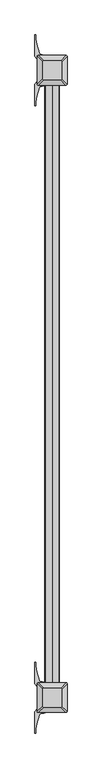
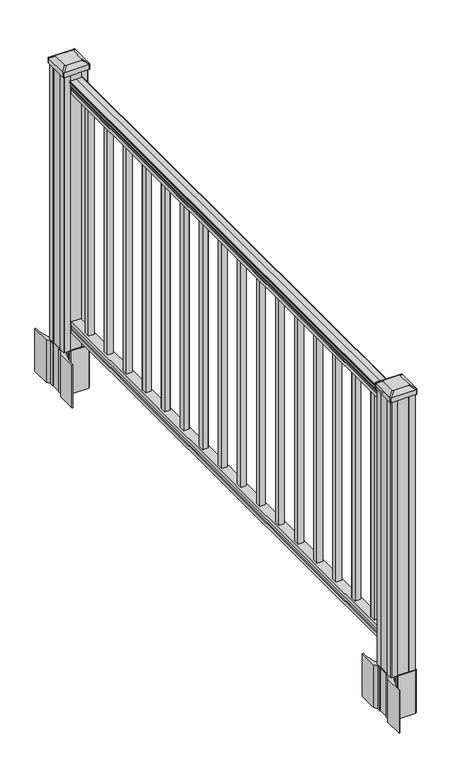
"""IFC4 building model written with IfcOpenShell, lengths in millimetres: railing geometry."""

from ifc_helpers import new_model, si_unit, point, frame, frame_2d, origin, origin_with_axes, place, context, project, spatial, polyline, circle_curve, trimmed, segment, composite_curve, outline, extrude, source, transform, mapped, element, save
from ifc_brep_helpers import plane_surface, extruded_surface, advanced_brep


def railing_f47d3d87(model_context):
    return source(origin(), model_context, "Body", "SolidModel", [
        extrude(outline(composite_curve([segment(polyline([(938.4043297, -192.7883059), (940.292412, -192.7883059)]), True, "CONTINUOUS"), segment(trimmed(circle_curve(frame_2d((946.0506383, -199.1030592)), 8.545951), [point((940.292412, -192.7883059))], [point((941.8546695, -191.6581196))], False, "CARTESIAN"), True, "CONTINUOUS"), segment(trimmed(circle_curve(frame_2d((945.4636577, -198.6659962)), 7.882584), [point((941.8546695, -191.6581196))], [point((949.0726458, -191.6581196))], False, "CARTESIAN"), True, "CONTINUOUS"), segment(trimmed(circle_curve(frame_2d((951.3112527, -188.1526721)), 4.1592695), [point((949.0726458, -191.6581196))], [point((951.5060812, -192.307376))], True, "CARTESIAN"), True, "CONTINUOUS"), segment(trimmed(circle_curve(frame_2d((951.2508864, -186.8653655)), 5.4479907), [point((951.5060812, -192.307376))], [point((955.8362083, -189.807376))], True, "CARTESIAN"), True, "CONTINUOUS"), segment(trimmed(circle_curve(frame_2d((955.833395, -188.098524)), 1.7088543), [point((955.8362083, -189.807376))], [point((957.5157972, -188.3980336))], True, "CARTESIAN"), True, "CONTINUOUS"), segment(trimmed(circle_curve(frame_2d((958.6205318, -189.7154241)), 1.7192895), [point((957.5157972, -188.3980336))], [point((958.6205318, -187.9961346))], False, "CARTESIAN"), True, "CONTINUOUS"), segment(polyline([(958.6205318, -187.9961346), (959.9608158, -187.9961346)]), True, "CONTINUOUS"), segment(trimmed(circle_curve(frame_2d((959.9608158, -189.5495819)), 1.5534472), [point((959.9608158, -187.9961346))], [point((961.514263, -189.5495819))], False, "CARTESIAN"), True, "CONTINUOUS"), segment(polyline([(961.514263, -189.5495819), (961.514263, -210.2211346), (961.514263, -230.8926874)]), True, "CONTINUOUS"), segment(trimmed(circle_curve(frame_2d((959.9608158, -230.8926874)), 1.5534472), [point((961.514263, -230.8926874))], [point((959.9608158, -232.4461346))], False, "CARTESIAN"), True, "CONTINUOUS"), segment(polyline([(959.9608158, -232.4461346), (958.6205318, -232.4461346)]), True, "CONTINUOUS"), segment(trimmed(circle_curve(frame_2d((958.6205318, -230.7268452)), 1.7192895), [point((958.6205318, -232.4461346))], [point((957.5157972, -232.0442357))], False, "CARTESIAN"), True, "CONTINUOUS"), segment(trimmed(circle_curve(frame_2d((955.833395, -232.3437453)), 1.7088543), [point((957.5157972, -232.0442357))], [point((955.8362083, -230.6348933))], True, "CARTESIAN"), True, "CONTINUOUS"), segment(trimmed(circle_curve(frame_2d((951.2508864, -233.5769037)), 5.4479907), [point((955.8362083, -230.6348933))], [point((951.5060812, -228.1348933))], True, "CARTESIAN"), True, "CONTINUOUS"), segment(trimmed(circle_curve(frame_2d((951.3112527, -232.2895972)), 4.1592695), [point((951.5060812, -228.1348933))], [point((949.0726458, -228.7841497))], True, "CARTESIAN"), True, "CONTINUOUS"), segment(trimmed(circle_curve(frame_2d((945.4636577, -221.7762731)), 7.882584), [point((949.0726458, -228.7841497))], [point((941.8546695, -228.7841497))], False, "CARTESIAN"), True, "CONTINUOUS"), segment(trimmed(circle_curve(frame_2d((946.0506383, -221.3392101)), 8.545951), [point((941.8546695, -228.7841497))], [point((940.292412, -227.6539634))], False, "CARTESIAN"), True, "CONTINUOUS"), segment(polyline([(940.292412, -227.6539634), (938.4043297, -227.6539634)]), True, "CONTINUOUS"), segment(trimmed(circle_curve(frame_2d((938.4043297, -226.367049)), 1.2869144), [point((938.4043297, -227.6539634))], [point((938.4043297, -225.0801346))], False, "CARTESIAN"), True, "CONTINUOUS"), segment(polyline([(938.4043297, -225.0801346), (927.9048283, -225.0801346), (926.8888283, -226.0961346), (914.4, -226.0961346), (914.4, -194.3461346), (926.731013, -194.3461346), (927.747013, -195.3621346), (938.4043297, -195.3621346)]), True, "CONTINUOUS"), segment(trimmed(circle_curve(frame_2d((938.4043297, -194.0752203)), 1.2869144), [point((938.4043297, -195.3621346))], [point((938.4043297, -192.7883059))], False, "CARTESIAN"), True, "CONTINUOUS")], self_intersect=False)), frame((0.0, -6466.8427062, 0.0), z_axis=(0.0, 1.0, 0.0), x_axis=(0.0, 0.0, 1.0)), (0.0, 0.0, 1.0), 1828.8),
        extrude(outline(polyline([(76.0541976, -194.3086477), (77.3546183, -195.3246477), (87.7141717, -195.3246477), (89.0624492, -194.3086477), (101.5958781, -194.3086477), (101.5958781, -226.0586477), (89.0458024, -226.0586477), (87.6975248, -225.0426477), (77.3858283, -225.0426477), (76.0375508, -226.0586477), (63.5, -226.0586477), (63.5, -194.3086477), (76.0541976, -194.3086477)])), frame((0.0, -6466.8427062, 0.0), z_axis=(0.0, 1.0, 0.0), x_axis=(0.0, 0.0, 1.0)), (0.0, 0.0, 1.0), 1828.8),
        extrude(outline(polyline([(-200.6961346, -4726.5617062), (-219.7461346, -4726.5617062), (-219.7461346, -4707.5117062), (-200.6961346, -4707.5117062), (-200.6961346, -4726.5617062)]), holes=[polyline([(-201.0930096, -4726.1648312), (-201.0930096, -4707.9085812), (-219.3492596, -4707.9085812), (-219.3492596, -4726.1648312), (-201.0930096, -4726.1648312)])]), frame((0.0, 0.0, 101.5958781), z_axis=(0.0, 0.0, 1.0), x_axis=(1.0, 0.0, 0.0)), (0.0, 0.0, 1.0), 812.8041219),
        extrude(outline(polyline([(-200.6961346, -4837.8137062), (-219.7461346, -4837.8137062), (-219.7461346, -4818.7637062), (-200.6961346, -4818.7637062), (-200.6961346, -4837.8137062)]), holes=[polyline([(-201.0930096, -4837.4168312), (-201.0930096, -4819.1605812), (-219.3492596, -4819.1605812), (-219.3492596, -4837.4168312), (-201.0930096, -4837.4168312)])]), frame((0.0, 0.0, 101.5958781), z_axis=(0.0, 0.0, 1.0), x_axis=(1.0, 0.0, 0.0)), (0.0, 0.0, 1.0), 812.8041219),
        extrude(outline(polyline([(-200.6961346, -4949.0657062), (-219.7461346, -4949.0657062), (-219.7461346, -4930.0157062), (-200.6961346, -4930.0157062), (-200.6961346, -4949.0657062)]), holes=[polyline([(-201.0930096, -4948.6688312), (-201.0930096, -4930.4125812), (-219.3492596, -4930.4125812), (-219.3492596, -4948.6688312), (-201.0930096, -4948.6688312)])]), frame((0.0, 0.0, 101.5958781), z_axis=(0.0, 0.0, 1.0), x_axis=(1.0, 0.0, 0.0)), (0.0, 0.0, 1.0), 812.8041219),
        extrude(outline(polyline([(-200.6961346, -5060.3177062), (-219.7461346, -5060.3177062), (-219.7461346, -5041.2677062), (-200.6961346, -5041.2677062), (-200.6961346, -5060.3177062)]), holes=[polyline([(-201.0930096, -5059.9208312), (-201.0930096, -5041.6645812), (-219.3492596, -5041.6645812), (-219.3492596, -5059.9208312), (-201.0930096, -5059.9208312)])]), frame((0.0, 0.0, 101.5958781), z_axis=(0.0, 0.0, 1.0), x_axis=(1.0, 0.0, 0.0)), (0.0, 0.0, 1.0), 812.8041219),
        extrude(outline(polyline([(-200.6961346, -5171.5697062), (-219.7461346, -5171.5697062), (-219.7461346, -5152.5197062), (-200.6961346, -5152.5197062), (-200.6961346, -5171.5697062)]), holes=[polyline([(-201.0930096, -5171.1728312), (-201.0930096, -5152.9165812), (-219.3492596, -5152.9165812), (-219.3492596, -5171.1728312), (-201.0930096, -5171.1728312)])]), frame((0.0, 0.0, 101.5958781), z_axis=(0.0, 0.0, 1.0), x_axis=(1.0, 0.0, 0.0)), (0.0, 0.0, 1.0), 812.8041219),
        extrude(outline(polyline([(-200.6961346, -5282.8217062), (-219.7461346, -5282.8217062), (-219.7461346, -5263.7717062), (-200.6961346, -5263.7717062), (-200.6961346, -5282.8217062)]), holes=[polyline([(-201.0930096, -5282.4248312), (-201.0930096, -5264.1685812), (-219.3492596, -5264.1685812), (-219.3492596, -5282.4248312), (-201.0930096, -5282.4248312)])]), frame((0.0, 0.0, 101.5958781), z_axis=(0.0, 0.0, 1.0), x_axis=(1.0, 0.0, 0.0)), (0.0, 0.0, 1.0), 812.8041219),
        extrude(outline(polyline([(-200.6961346, -5394.0737062), (-219.7461346, -5394.0737062), (-219.7461346, -5375.0237062), (-200.6961346, -5375.0237062), (-200.6961346, -5394.0737062)]), holes=[polyline([(-201.0930096, -5393.6768312), (-201.0930096, -5375.4205812), (-219.3492596, -5375.4205812), (-219.3492596, -5393.6768312), (-201.0930096, -5393.6768312)])]), frame((0.0, 0.0, 101.5958781), z_axis=(0.0, 0.0, 1.0), x_axis=(1.0, 0.0, 0.0)), (0.0, 0.0, 1.0), 812.8041219),
        extrude(outline(polyline([(-200.6961346, -5505.3257062), (-219.7461346, -5505.3257062), (-219.7461346, -5486.2757062), (-200.6961346, -5486.2757062), (-200.6961346, -5505.3257062)]), holes=[polyline([(-201.0930096, -5504.9288312), (-201.0930096, -5486.6725812), (-219.3492596, -5486.6725812), (-219.3492596, -5504.9288312), (-201.0930096, -5504.9288312)])]), frame((0.0, 0.0, 101.5958781), z_axis=(0.0, 0.0, 1.0), x_axis=(1.0, 0.0, 0.0)), (0.0, 0.0, 1.0), 812.8041219),
        extrude(outline(polyline([(-200.6961346, -5616.5777062), (-219.7461346, -5616.5777062), (-219.7461346, -5597.5277062), (-200.6961346, -5597.5277062), (-200.6961346, -5616.5777062)]), holes=[polyline([(-201.0930096, -5616.1808312), (-201.0930096, -5597.9245812), (-219.3492596, -5597.9245812), (-219.3492596, -5616.1808312), (-201.0930096, -5616.1808312)])]), frame((0.0, 0.0, 101.5958781), z_axis=(0.0, 0.0, 1.0), x_axis=(1.0, 0.0, 0.0)), (0.0, 0.0, 1.0), 812.8041219),
        extrude(outline(polyline([(-200.6961346, -5727.8297062), (-219.7461346, -5727.8297062), (-219.7461346, -5708.7797062), (-200.6961346, -5708.7797062), (-200.6961346, -5727.8297062)]), holes=[polyline([(-201.0930096, -5727.4328312), (-201.0930096, -5709.1765812), (-219.3492596, -5709.1765812), (-219.3492596, -5727.4328312), (-201.0930096, -5727.4328312)])]), frame((0.0, 0.0, 101.5958781), z_axis=(0.0, 0.0, 1.0), x_axis=(1.0, 0.0, 0.0)), (0.0, 0.0, 1.0), 812.8041219),
        extrude(outline(polyline([(-200.6961346, -5839.0817062), (-219.7461346, -5839.0817062), (-219.7461346, -5820.0317062), (-200.6961346, -5820.0317062), (-200.6961346, -5839.0817062)]), holes=[polyline([(-201.0930096, -5838.6848312), (-201.0930096, -5820.4285812), (-219.3492596, -5820.4285812), (-219.3492596, -5838.6848312), (-201.0930096, -5838.6848312)])]), frame((0.0, 0.0, 101.5958781), z_axis=(0.0, 0.0, 1.0), x_axis=(1.0, 0.0, 0.0)), (0.0, 0.0, 1.0), 812.8041219),
        extrude(outline(polyline([(-200.6961346, -5950.3337062), (-219.7461346, -5950.3337062), (-219.7461346, -5931.2837062), (-200.6961346, -5931.2837062), (-200.6961346, -5950.3337062)]), holes=[polyline([(-201.0930096, -5949.9368312), (-201.0930096, -5931.6805812), (-219.3492596, -5931.6805812), (-219.3492596, -5949.9368312), (-201.0930096, -5949.9368312)])]), frame((0.0, 0.0, 101.5958781), z_axis=(0.0, 0.0, 1.0), x_axis=(1.0, 0.0, 0.0)), (0.0, 0.0, 1.0), 812.8041219),
        extrude(outline(polyline([(-200.6961346, -6061.5857062), (-219.7461346, -6061.5857062), (-219.7461346, -6042.5357062), (-200.6961346, -6042.5357062), (-200.6961346, -6061.5857062)]), holes=[polyline([(-201.0930096, -6061.1888312), (-201.0930096, -6042.9325812), (-219.3492596, -6042.9325812), (-219.3492596, -6061.1888312), (-201.0930096, -6061.1888312)])]), frame((0.0, 0.0, 101.5958781), z_axis=(0.0, 0.0, 1.0), x_axis=(1.0, 0.0, 0.0)), (0.0, 0.0, 1.0), 812.8041219),
        extrude(outline(polyline([(-200.6961346, -6172.8377062), (-219.7461346, -6172.8377062), (-219.7461346, -6153.7877062), (-200.6961346, -6153.7877062), (-200.6961346, -6172.8377062)]), holes=[polyline([(-201.0930096, -6172.4408312), (-201.0930096, -6154.1845812), (-219.3492596, -6154.1845812), (-219.3492596, -6172.4408312), (-201.0930096, -6172.4408312)])]), frame((0.0, 0.0, 101.5958781), z_axis=(0.0, 0.0, 1.0), x_axis=(1.0, 0.0, 0.0)), (0.0, 0.0, 1.0), 812.8041219),
        extrude(outline(polyline([(-200.6961346, -6284.0897062), (-219.7461346, -6284.0897062), (-219.7461346, -6265.0397062), (-200.6961346, -6265.0397062), (-200.6961346, -6284.0897062)]), holes=[polyline([(-201.0930096, -6283.6928312), (-201.0930096, -6265.4365812), (-219.3492596, -6265.4365812), (-219.3492596, -6283.6928312), (-201.0930096, -6283.6928312)])]), frame((0.0, 0.0, 101.5958781), z_axis=(0.0, 0.0, 1.0), x_axis=(1.0, 0.0, 0.0)), (0.0, 0.0, 1.0), 812.8041219),
        extrude(outline(polyline([(-200.6961346, -6395.3417062), (-219.7461346, -6395.3417062), (-219.7461346, -6376.2917062), (-200.6961346, -6376.2917062), (-200.6961346, -6395.3417062)]), holes=[polyline([(-201.0930096, -6394.9448312), (-201.0930096, -6376.6885812), (-219.3492596, -6376.6885812), (-219.3492596, -6394.9448312), (-201.0930096, -6394.9448312)])]), frame((0.0, 0.0, 101.5958781), z_axis=(0.0, 0.0, 1.0), x_axis=(1.0, 0.0, 0.0)), (0.0, 0.0, 1.0), 812.8041219),
        extrude(outline(composite_curve([segment(polyline([(-167.4856346, -4614.026801), (-165.8981346, -4614.788801), (-165.8981346, -4637.5907291), (-169.2711117, -4640.9637062), (-230.7307825, -4640.9637062), (-230.7307825, -4641.8844562), (-236.0483264, -4641.8844562), (-236.0483264, -4643.3387108), (-241.1328561, -4643.3387108), (-241.1328561, -4644.6227347), (-242.8001283, -4644.6227347)]), True, "CONTINUOUS"), segment(trimmed(circle_curve(frame_2d((-242.8001283, -4651.6821945)), 7.0594599), [point((-242.8001283, -4644.6227347))], [point((-249.5673912, -4649.6721879))], True, "CARTESIAN"), True, "CONTINUOUS"), segment(polyline([(-249.5673912, -4649.6721879), (-257.4415855, -4676.1829169)]), True, "CONTINUOUS"), segment(trimmed(circle_curve(frame_2d((-202.6570721, -4692.4549666)), 57.15), [point((-257.4415855, -4676.1829169))], [point((-259.8070721, -4692.4549666))], True, "CARTESIAN"), True, "CONTINUOUS"), segment(polyline([(-259.8070721, -4692.4549666), (-259.8070721, -4704.4637062), (-262.8070721, -4704.4637062), (-262.8070721, -4639.3762062), (-254.5441346, -4628.0379148), (-254.5441346, -4614.788801), (-252.9566346, -4614.026801), (-252.9566346, -4579.2546113), (-254.5441346, -4578.4926113), (-254.5441346, -4565.2434975), (-262.8070721, -4553.9052062), (-262.8070721, -4488.8177062), (-259.8070721, -4488.8177062), (-259.8070721, -4500.8264457)]), True, "CONTINUOUS"), segment(trimmed(circle_curve(frame_2d((-202.6570721, -4500.8264457)), 57.15), [point((-259.8070721, -4500.8264457))], [point((-257.4415855, -4517.0984954))], True, "CARTESIAN"), True, "CONTINUOUS"), segment(polyline([(-257.4415855, -4517.0984954), (-249.5673912, -4543.6092245)]), True, "CONTINUOUS"), segment(trimmed(circle_curve(frame_2d((-242.8001283, -4541.5992178)), 7.0594599), [point((-249.5673912, -4543.6092245))], [point((-242.8001283, -4548.6586776))], True, "CARTESIAN"), True, "CONTINUOUS"), segment(polyline([(-242.8001283, -4548.6586776), (-241.1328561, -4548.6586776), (-241.1328561, -4549.9427015), (-236.0483264, -4549.9427015), (-236.0483264, -4551.3969562), (-230.7307825, -4551.3969562), (-230.7307825, -4552.3177062), (-169.2711117, -4552.3177062), (-165.8981346, -4555.6906832), (-165.8981346, -4578.4926113), (-167.4856346, -4579.2546113), (-167.4856346, -4614.026801)]), True, "CONTINUOUS")], self_intersect=False), holes=[polyline([(-251.4961346, -4556.9532062), (-251.4961346, -4636.3282062), (-249.9086346, -4637.9157062), (-212.984352, -4637.9157062), (-170.5336346, -4637.9157062), (-168.9461346, -4636.3282062), (-168.9461346, -4556.9532062), (-170.5336346, -4555.3657062), (-212.984352, -4555.3657062), (-249.9086346, -4555.3657062), (-251.4961346, -4556.9532062)])]), frame((0.0, 0.0, -152.4), z_axis=(0.0, 0.0, 1.0), x_axis=(1.0, 0.0, 0.0)), (0.0, 0.0, 1.0), 152.4),
        advanced_brep(
        [(-236.0180096, -4625.6125812, 1012.825), (-184.4242596, -4625.6125812, 1012.825), (-181.2492596, -4622.4375812, 1012.825), (-181.2492596, -4570.8438312, 1012.825), (-184.4242596, -4567.6688312, 1012.825), (-236.0180096, -4567.6688312, 1012.825), (-239.1930096, -4570.8438312, 1012.825), (-239.1930096, -4622.4375812, 1012.825), (-252.2898846, -4641.8844562, 1001.522), (-255.4648846, -4638.7094562, 1001.522), (-255.4648846, -4554.5719562, 1001.522), (-252.2898846, -4551.3969562, 1001.522), (-168.1523846, -4551.3969562, 1001.522), (-164.9773846, -4554.5719562, 1001.522), (-164.9773846, -4638.7094562, 1001.522), (-168.1523846, -4641.8844562, 1001.522)],
        [
            (0, 1),
            (1, 2, circle_curve(frame((-184.4242596, -4622.4375812, 1012.825), z_axis=(0.0, 0.0, 1.0), x_axis=(0.0, 1.0, 0.0)), 3.175)),
            (2, 3),
            (3, 4, circle_curve(frame((-184.4242596, -4570.8438312, 1012.825), z_axis=(0.0, 0.0, 1.0), x_axis=(0.0, 1.0, 0.0)), 3.175)),
            (4, 5),
            (5, 6, circle_curve(frame((-236.0180096, -4570.8438312, 1012.825), z_axis=(0.0, 0.0, 1.0), x_axis=(0.0, 1.0, 0.0)), 3.175)),
            (6, 7),
            (7, 0, circle_curve(frame((-236.0180096, -4622.4375812, 1012.825), z_axis=(0.0, 0.0, 1.0), x_axis=(0.0, 1.0, 0.0)), 3.175)),
            (8, 9, circle_curve(frame((-252.2898846, -4638.7094562, 1001.522), z_axis=(0.0, 0.0, -1.0), x_axis=(0.0, 1.0, 0.0)), 3.175)),
            (9, 10),
            (10, 11, circle_curve(frame((-252.2898846, -4554.5719562, 1001.522), z_axis=(0.0, 0.0, -1.0), x_axis=(0.0, 1.0, 0.0)), 3.175)),
            (11, 12),
            (12, 13, circle_curve(frame((-168.1523846, -4554.5719562, 1001.522), z_axis=(0.0, 0.0, -1.0), x_axis=(0.0, 1.0, 0.0)), 3.175)),
            (13, 14),
            (14, 15, circle_curve(frame((-168.1523846, -4638.7094562, 1001.522), z_axis=(0.0, 0.0, -1.0), x_axis=(0.0, 1.0, 0.0)), 3.175)),
            (15, 8),
            (8, 0),
            (7, 9),
            (6, 10),
            (5, 11),
            (4, 12),
            (3, 13),
            (2, 14),
            (1, 15),
        ],
        [
            plane_surface(frame((-210.2211346, -4596.6407062, 1012.825), z_axis=(0.0, 0.0, 1.0), x_axis=(-1.0, 0.0, 0.0))),
            plane_surface(frame((-210.2211346, -4596.6407062, 1001.522), z_axis=(0.0, 0.0, -1.0), x_axis=(-1.0, 0.0, 0.0))),
            extruded_surface(trimmed(circle_curve(frame((-236.0180096, -4622.4375812, 1012.825), z_axis=(0.0, 0.0, -1.0), x_axis=(0.0, 1.0, 0.0)), 3.175), [point((-236.0180096, -4625.6125812, 1012.825))], [point((-239.1930096, -4622.4375812, 1012.825))], True, "CARTESIAN"), (-16.271874999999994, -16.271875000000364, -11.302999999999997), 25.637972638866387),
            plane_surface(frame((-255.4648846, -4596.6407062, 1001.522), z_axis=(-0.5705009161540779, 0.0, 0.8212969649690408), x_axis=(0.0, 1.0, 0.0))),
            extruded_surface(trimmed(circle_curve(frame((-236.0180096, -4570.8438312, 1012.825), z_axis=(0.0, 0.0, -1.0), x_axis=(0.0, 1.0, 0.0)), 3.175), [point((-239.1930096, -4570.8438312, 1012.825))], [point((-236.0180096, -4567.6688312, 1012.825))], True, "CARTESIAN"), (-16.271874999999994, 16.271874999999454, -11.302999999999997), 25.63797263886581),
            plane_surface(frame((-210.2211346, -4551.3969562, 1001.522), z_axis=(0.0, 0.5705009161540291, 0.8212969649690747), x_axis=(1.0, 0.0, 0.0))),
            extruded_surface(trimmed(circle_curve(frame((-184.4242596, -4570.8438312, 1012.825), z_axis=(0.0, 0.0, -1.0), x_axis=(0.0, 1.0, 0.0)), 3.175), [point((-184.4242596, -4567.6688312, 1012.825))], [point((-181.2492596, -4570.8438312, 1012.825))], True, "CARTESIAN"), (16.271874999999994, 16.271874999999454, -11.302999999999997), 25.63797263886581),
            plane_surface(frame((-164.9773846, -4596.6407062, 1001.522), z_axis=(0.5705009161540141, 0.0, 0.8212969649690851), x_axis=(0.0, -1.0, 0.0))),
            extruded_surface(trimmed(circle_curve(frame((-184.4242596, -4622.4375812, 1012.825), z_axis=(0.0, 0.0, -1.0), x_axis=(0.0, 1.0, 0.0)), 3.175), [point((-181.2492596, -4622.4375812, 1012.825))], [point((-184.4242596, -4625.6125812, 1012.825))], True, "CARTESIAN"), (16.271874999999994, -16.271875000000364, -11.302999999999997), 25.637972638866387),
            plane_surface(frame((-210.2211346, -4641.8844562, 1001.522), z_axis=(0.0, -0.570500916154034, 0.8212969649690713), x_axis=(-1.0, 0.0, 0.0))),
        ],
        [
            (0, [[1, 2, 3, 4, 5, 6, 7, 8]]),
            (1, [[9, 10, 11, 12, 13, 14, 15, 16]]),
            (2, [[17, -8, 18, -9]]),
            (3, [[-18, -7, 19, -10]]),
            (4, [[-19, -6, 20, -11]]),
            (5, [[-20, -5, 21, -12]]),
            (6, [[-21, -4, 22, -13]]),
            (7, [[-22, -3, 23, -14]]),
            (8, [[-23, -2, 24, -15]]),
            (9, [[-24, -1, -17, -16]]),
        ],
    ),
        extrude(outline(composite_curve([segment(trimmed(circle_curve(frame_2d((-252.2898846, -4638.7094562)), 3.175), [point((-252.2898846, -4641.8844562))], [point((-255.4648846, -4638.7094562))], False, "CARTESIAN"), True, "CONTINUOUS"), segment(polyline([(-255.4648846, -4638.7094562), (-255.4648846, -4554.5719562)]), True, "CONTINUOUS"), segment(trimmed(circle_curve(frame_2d((-252.2898846, -4554.5719562)), 3.175), [point((-255.4648846, -4554.5719562))], [point((-252.2898846, -4551.3969562))], False, "CARTESIAN"), True, "CONTINUOUS"), segment(polyline([(-252.2898846, -4551.3969562), (-168.1523846, -4551.3969562)]), True, "CONTINUOUS"), segment(trimmed(circle_curve(frame_2d((-168.1523846, -4554.5719562)), 3.175), [point((-168.1523846, -4551.3969562))], [point((-164.9773846, -4554.5719562))], False, "CARTESIAN"), True, "CONTINUOUS"), segment(polyline([(-164.9773846, -4554.5719562), (-164.9773846, -4638.7094562)]), True, "CONTINUOUS"), segment(trimmed(circle_curve(frame_2d((-168.1523846, -4638.7094562)), 3.175), [point((-164.9773846, -4638.7094562))], [point((-168.1523846, -4641.8844562))], False, "CARTESIAN"), True, "CONTINUOUS"), segment(polyline([(-168.1523846, -4641.8844562), (-252.2898846, -4641.8844562)]), True, "CONTINUOUS")], self_intersect=False)), frame((0.0, 0.0, 984.25), z_axis=(0.0, 0.0, 1.0), x_axis=(1.0, 0.0, 0.0)), (0.0, 0.0, 1.0), 17.272),
        extrude(outline(polyline([(-249.9086346, -4637.9157062), (-251.4961346, -4636.3282062), (-251.4961346, -4616.7067062), (-249.9086346, -4615.9447062), (-249.9086346, -4577.3367062), (-251.4961346, -4576.5747062), (-251.4961346, -4556.9532062), (-249.9086346, -4555.3657062), (-230.2871346, -4555.3657062), (-229.5251346, -4556.9532062), (-190.9171346, -4556.9532062), (-190.1551346, -4555.3657062), (-170.5336346, -4555.3657062), (-168.9461346, -4556.9532062), (-168.9461346, -4576.5747062), (-170.5336346, -4577.3367062), (-170.5336346, -4615.9447062), (-168.9461346, -4616.7067062), (-168.9461346, -4636.3282062), (-170.5336346, -4637.9157062), (-190.1551346, -4637.9157062), (-190.9171346, -4636.3282062), (-229.5251346, -4636.3282062), (-230.2871346, -4637.9157062), (-249.9086346, -4637.9157062)])), origin_with_axes(), (0.0, 0.0, 1.0), 984.25),
        extrude(outline(composite_curve([segment(polyline([(-167.4856346, -6525.630801), (-165.8981346, -6526.392801), (-165.8981346, -6549.1947291), (-169.2711117, -6552.5677062), (-230.7307825, -6552.5677062), (-230.7307825, -6553.4884562), (-236.0483264, -6553.4884562), (-236.0483264, -6554.9427108), (-241.1328561, -6554.9427108), (-241.1328561, -6556.2267347), (-242.8001283, -6556.2267347)]), True, "CONTINUOUS"), segment(trimmed(circle_curve(frame_2d((-242.8001283, -6563.2861945)), 7.0594599), [point((-242.8001283, -6556.2267347))], [point((-249.5673912, -6561.2761879))], True, "CARTESIAN"), True, "CONTINUOUS"), segment(polyline([(-249.5673912, -6561.2761879), (-257.4415855, -6587.7869169)]), True, "CONTINUOUS"), segment(trimmed(circle_curve(frame_2d((-202.6570721, -6604.0589666)), 57.15), [point((-257.4415855, -6587.7869169))], [point((-259.8070721, -6604.0589666))], True, "CARTESIAN"), True, "CONTINUOUS"), segment(polyline([(-259.8070721, -6604.0589666), (-259.8070721, -6616.0677062), (-262.8070721, -6616.0677062), (-262.8070721, -6550.9802062), (-254.5441346, -6539.6419148), (-254.5441346, -6526.392801), (-252.9566346, -6525.630801), (-252.9566346, -6490.8586113), (-254.5441346, -6490.0966113), (-254.5441346, -6476.8474975), (-262.8070721, -6465.5092062), (-262.8070721, -6400.4217062), (-259.8070721, -6400.4217062), (-259.8070721, -6412.4304457)]), True, "CONTINUOUS"), segment(trimmed(circle_curve(frame_2d((-202.6570721, -6412.4304457)), 57.15), [point((-259.8070721, -6412.4304457))], [point((-257.4415855, -6428.7024954))], True, "CARTESIAN"), True, "CONTINUOUS"), segment(polyline([(-257.4415855, -6428.7024954), (-249.5673912, -6455.2132245)]), True, "CONTINUOUS"), segment(trimmed(circle_curve(frame_2d((-242.8001283, -6453.2032178)), 7.0594599), [point((-249.5673912, -6455.2132245))], [point((-242.8001283, -6460.2626776))], True, "CARTESIAN"), True, "CONTINUOUS"), segment(polyline([(-242.8001283, -6460.2626776), (-241.1328561, -6460.2626776), (-241.1328561, -6461.5467015), (-236.0483264, -6461.5467015), (-236.0483264, -6463.0009562), (-230.7307825, -6463.0009562), (-230.7307825, -6463.9217062), (-169.2711117, -6463.9217062), (-165.8981346, -6467.2946832), (-165.8981346, -6490.0966113), (-167.4856346, -6490.8586113), (-167.4856346, -6525.630801)]), True, "CONTINUOUS")], self_intersect=False), holes=[polyline([(-251.4961346, -6468.5572062), (-251.4961346, -6547.9322062), (-249.9086346, -6549.5197062), (-212.984352, -6549.5197062), (-170.5336346, -6549.5197062), (-168.9461346, -6547.9322062), (-168.9461346, -6468.5572062), (-170.5336346, -6466.9697062), (-212.984352, -6466.9697062), (-249.9086346, -6466.9697062), (-251.4961346, -6468.5572062)])]), frame((0.0, 0.0, -152.4), z_axis=(0.0, 0.0, 1.0), x_axis=(1.0, 0.0, 0.0)), (0.0, 0.0, 1.0), 152.4),
        advanced_brep(
        [(-236.0180096, -6537.2165812, 1012.825), (-184.4242596, -6537.2165812, 1012.825), (-181.2492596, -6534.0415812, 1012.825), (-181.2492596, -6482.4478312, 1012.825), (-184.4242596, -6479.2728312, 1012.825), (-236.0180096, -6479.2728312, 1012.825), (-239.1930096, -6482.4478312, 1012.825), (-239.1930096, -6534.0415812, 1012.825), (-252.2898846, -6553.4884562, 1001.522), (-255.4648846, -6550.3134562, 1001.522), (-255.4648846, -6466.1759562, 1001.522), (-252.2898846, -6463.0009562, 1001.522), (-168.1523846, -6463.0009562, 1001.522), (-164.9773846, -6466.1759562, 1001.522), (-164.9773846, -6550.3134562, 1001.522), (-168.1523846, -6553.4884562, 1001.522)],
        [
            (0, 1),
            (1, 2, circle_curve(frame((-184.4242596, -6534.0415812, 1012.825), z_axis=(0.0, 0.0, 1.0), x_axis=(0.0, 1.0, 0.0)), 3.175)),
            (2, 3),
            (3, 4, circle_curve(frame((-184.4242596, -6482.4478312, 1012.825), z_axis=(0.0, 0.0, 1.0), x_axis=(0.0, 1.0, 0.0)), 3.175)),
            (4, 5),
            (5, 6, circle_curve(frame((-236.0180096, -6482.4478312, 1012.825), z_axis=(0.0, 0.0, 1.0), x_axis=(0.0, 1.0, 0.0)), 3.175)),
            (6, 7),
            (7, 0, circle_curve(frame((-236.0180096, -6534.0415812, 1012.825), z_axis=(0.0, 0.0, 1.0), x_axis=(0.0, 1.0, 0.0)), 3.175)),
            (8, 9, circle_curve(frame((-252.2898846, -6550.3134562, 1001.522), z_axis=(0.0, 0.0, -1.0), x_axis=(0.0, 1.0, 0.0)), 3.175)),
            (9, 10),
            (10, 11, circle_curve(frame((-252.2898846, -6466.1759562, 1001.522), z_axis=(0.0, 0.0, -1.0), x_axis=(0.0, 1.0, 0.0)), 3.175)),
            (11, 12),
            (12, 13, circle_curve(frame((-168.1523846, -6466.1759562, 1001.522), z_axis=(0.0, 0.0, -1.0), x_axis=(0.0, 1.0, 0.0)), 3.175)),
            (13, 14),
            (14, 15, circle_curve(frame((-168.1523846, -6550.3134562, 1001.522), z_axis=(0.0, 0.0, -1.0), x_axis=(0.0, 1.0, 0.0)), 3.175)),
            (15, 8),
            (8, 0),
            (7, 9),
            (6, 10),
            (5, 11),
            (4, 12),
            (3, 13),
            (2, 14),
            (1, 15),
        ],
        [
            plane_surface(frame((-210.2211346, -6508.2447062, 1012.825), z_axis=(0.0, 0.0, 1.0), x_axis=(-1.0, 0.0, 0.0))),
            plane_surface(frame((-210.2211346, -6508.2447062, 1001.522), z_axis=(0.0, 0.0, -1.0), x_axis=(-1.0, 0.0, 0.0))),
            extruded_surface(trimmed(circle_curve(frame((-236.0180096, -6534.0415812, 1012.825), z_axis=(0.0, 0.0, -1.0), x_axis=(0.0, 1.0, 0.0)), 3.175), [point((-236.0180096, -6537.2165812, 1012.825))], [point((-239.1930096, -6534.0415812, 1012.825))], True, "CARTESIAN"), (-16.271874999999994, -16.271874999999454, -11.302999999999997), 25.63797263886581),
            plane_surface(frame((-255.4648846, -6508.2447062, 1001.522), z_axis=(-0.5705009161540779, 0.0, 0.8212969649690408), x_axis=(0.0, 1.0, 0.0))),
            extruded_surface(trimmed(circle_curve(frame((-236.0180096, -6482.4478312, 1012.825), z_axis=(0.0, 0.0, -1.0), x_axis=(0.0, 1.0, 0.0)), 3.175), [point((-239.1930096, -6482.4478312, 1012.825))], [point((-236.0180096, -6479.2728312, 1012.825))], True, "CARTESIAN"), (-16.271874999999994, 16.271875000000364, -11.302999999999997), 25.637972638866387),
            plane_surface(frame((-210.2211346, -6463.0009562, 1001.522), z_axis=(0.0, 0.5705009161540291, 0.8212969649690747), x_axis=(1.0, 0.0, 0.0))),
            extruded_surface(trimmed(circle_curve(frame((-184.4242596, -6482.4478312, 1012.825), z_axis=(0.0, 0.0, -1.0), x_axis=(0.0, 1.0, 0.0)), 3.175), [point((-184.4242596, -6479.2728312, 1012.825))], [point((-181.2492596, -6482.4478312, 1012.825))], True, "CARTESIAN"), (16.271874999999994, 16.271875000000364, -11.302999999999997), 25.637972638866387),
            plane_surface(frame((-164.9773846, -6508.2447062, 1001.522), z_axis=(0.5705009161540141, 0.0, 0.8212969649690851), x_axis=(0.0, -1.0, 0.0))),
            extruded_surface(trimmed(circle_curve(frame((-184.4242596, -6534.0415812, 1012.825), z_axis=(0.0, 0.0, -1.0), x_axis=(0.0, 1.0, 0.0)), 3.175), [point((-181.2492596, -6534.0415812, 1012.825))], [point((-184.4242596, -6537.2165812, 1012.825))], True, "CARTESIAN"), (16.271874999999994, -16.271874999999454, -11.302999999999997), 25.63797263886581),
            plane_surface(frame((-210.2211346, -6553.4884562, 1001.522), z_axis=(0.0, -0.570500916154034, 0.8212969649690713), x_axis=(-1.0, 0.0, 0.0))),
        ],
        [
            (0, [[1, 2, 3, 4, 5, 6, 7, 8]]),
            (1, [[9, 10, 11, 12, 13, 14, 15, 16]]),
            (2, [[17, -8, 18, -9]]),
            (3, [[-18, -7, 19, -10]]),
            (4, [[-19, -6, 20, -11]]),
            (5, [[-20, -5, 21, -12]]),
            (6, [[-21, -4, 22, -13]]),
            (7, [[-22, -3, 23, -14]]),
            (8, [[-23, -2, 24, -15]]),
            (9, [[-24, -1, -17, -16]]),
        ],
    ),
        extrude(outline(composite_curve([segment(trimmed(circle_curve(frame_2d((-252.2898846, -6550.3134562)), 3.175), [point((-252.2898846, -6553.4884562))], [point((-255.4648846, -6550.3134562))], False, "CARTESIAN"), True, "CONTINUOUS"), segment(polyline([(-255.4648846, -6550.3134562), (-255.4648846, -6466.1759562)]), True, "CONTINUOUS"), segment(trimmed(circle_curve(frame_2d((-252.2898846, -6466.1759562)), 3.175), [point((-255.4648846, -6466.1759562))], [point((-252.2898846, -6463.0009562))], False, "CARTESIAN"), True, "CONTINUOUS"), segment(polyline([(-252.2898846, -6463.0009562), (-168.1523846, -6463.0009562)]), True, "CONTINUOUS"), segment(trimmed(circle_curve(frame_2d((-168.1523846, -6466.1759562)), 3.175), [point((-168.1523846, -6463.0009562))], [point((-164.9773846, -6466.1759562))], False, "CARTESIAN"), True, "CONTINUOUS"), segment(polyline([(-164.9773846, -6466.1759562), (-164.9773846, -6550.3134562)]), True, "CONTINUOUS"), segment(trimmed(circle_curve(frame_2d((-168.1523846, -6550.3134562)), 3.175), [point((-164.9773846, -6550.3134562))], [point((-168.1523846, -6553.4884562))], False, "CARTESIAN"), True, "CONTINUOUS"), segment(polyline([(-168.1523846, -6553.4884562), (-252.2898846, -6553.4884562)]), True, "CONTINUOUS")], self_intersect=False)), frame((0.0, 0.0, 984.25), z_axis=(0.0, 0.0, 1.0), x_axis=(1.0, 0.0, 0.0)), (0.0, 0.0, 1.0), 17.272),
        extrude(outline(polyline([(-249.9086346, -6549.5197062), (-251.4961346, -6547.9322062), (-251.4961346, -6528.3107062), (-249.9086346, -6527.5487062), (-249.9086346, -6488.9407062), (-251.4961346, -6488.1787062), (-251.4961346, -6468.5572062), (-249.9086346, -6466.9697062), (-230.2871346, -6466.9697062), (-229.5251346, -6468.5572062), (-190.9171346, -6468.5572062), (-190.1551346, -6466.9697062), (-170.5336346, -6466.9697062), (-168.9461346, -6468.5572062), (-168.9461346, -6488.1787062), (-170.5336346, -6488.9407062), (-170.5336346, -6527.5487062), (-168.9461346, -6528.3107062), (-168.9461346, -6547.9322062), (-170.5336346, -6549.5197062), (-190.1551346, -6549.5197062), (-190.9171346, -6547.9322062), (-229.5251346, -6547.9322062), (-230.2871346, -6549.5197062), (-249.9086346, -6549.5197062)])), origin_with_axes(), (0.0, 0.0, 1.0), 984.25),
    ])


if __name__ == "__main__":
    model = new_model("IFC4")
    model_context = context("Model", 3, world=origin())
    ifc_project = project(units=[si_unit("LENGTHUNIT", "METRE", prefix="MILLI")], contexts=[model_context])
    site = spatial("IfcSite", under=ifc_project)
    building = spatial("IfcBuilding", under=site)
    placement = place(None, origin())
    railing_shape = railing_f47d3d87(model_context)
    element("IfcRailing", 1, at=placement, inside=building, context=model_context, shape_type="MappedRepresentation", body=[
        mapped(railing_shape, transform((0.0, 0.0, 0.0), x_axis=(1.0, 0.0, 0.0), y_axis=(0.0, 1.0, 0.0), z_axis=(0.0, 0.0, 1.0))),
    ])
    save(model, "model.ifc")
